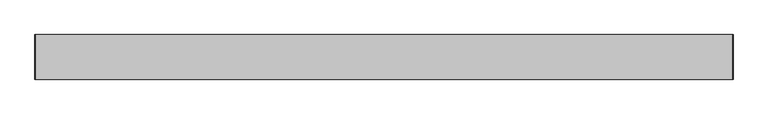
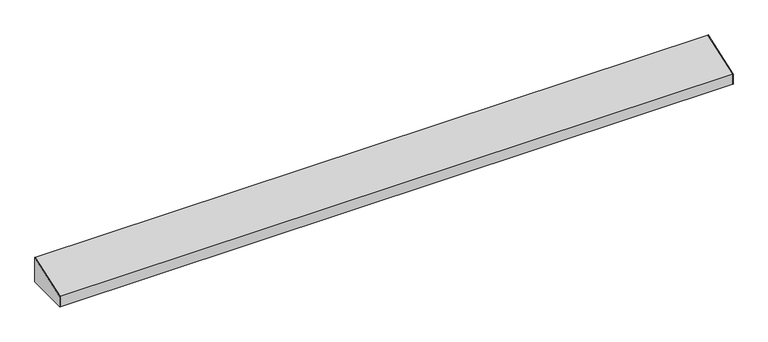
"""IFC4 building model written with IfcOpenShell, lengths in millimetres: furniture geometry."""

from ifc_helpers import new_model, si_unit, frame, origin, place, context, project, spatial, polyline, outline, extrude, source, transform, mapped, element, save


def furniture_1603fece(model_context):
    return source(origin(), model_context, "Body", "SweptSolid", [
        extrude(outline(polyline([(-97.4564663, 2121.3257204), (-21.2564663, 2148.5820312), (-21.2564663, 2102.5445312), (-97.4564663, 2102.5445312), (-97.4564663, 2121.3257204)])), frame((614.0502049, 0.0, 0.0), z_axis=(1.0, 0.0, 0.0), x_axis=(0.0, 1.0, 0.0)), (0.0, 0.0, 1.0), 0.79375),
        extrude(outline(polyline([(-21.2564662, 2102.5445312), (-97.4564662, 2102.5445312), (-97.4564662, 2121.3257204), (-21.2564662, 2148.5820312), (-21.2564662, 2102.5445312)])), frame((-577.3685451, 0.0, 0.0), z_axis=(1.0, 0.0, 0.0), x_axis=(0.0, 1.0, 0.0)), (0.0, 0.0, 1.0), 0.79375),
        extrude(outline(polyline([(-21.2564662, 2102.5445312), (-33.9564662, 2102.5445312), (-33.9564662, 2103.3382812), (-22.0502162, 2103.3382812), (-22.0502162, 2147.4993799), (-96.6627162, 2120.8208717), (-96.6627162, 2103.3382812), (-84.7564662, 2103.3382812), (-84.7564662, 2102.5445312), (-97.4564662, 2102.5445312), (-97.4564662, 2121.3257204), (-21.2564662, 2148.5820312), (-21.2564662, 2102.5445312)])), frame((-576.5747951, 0.0, 0.0), z_axis=(1.0, 0.0, 0.0), x_axis=(0.0, 1.0, 0.0)), (0.0, 0.0, 1.0), 1190.625),
    ])


if __name__ == "__main__":
    model = new_model("IFC4")
    model_context = context("Model", 3, world=origin())
    ifc_project = project(units=[si_unit("LENGTHUNIT", "METRE", prefix="MILLI")], contexts=[model_context])
    site = spatial("IfcSite", under=ifc_project)
    building = spatial("IfcBuilding", under=site)
    placement = place(None, origin())
    furniture_shape = furniture_1603fece(model_context)
    element("IfcFurniture", 1, at=placement, inside=building, context=model_context, shape_type="MappedRepresentation", body=[
        mapped(furniture_shape, transform((0.0, 0.0, 0.0), x_axis=(1.0, 0.0, 0.0), y_axis=(0.0, 1.0, 0.0), z_axis=(0.0, 0.0, 1.0))),
    ])
    save(model, "model.ifc")
